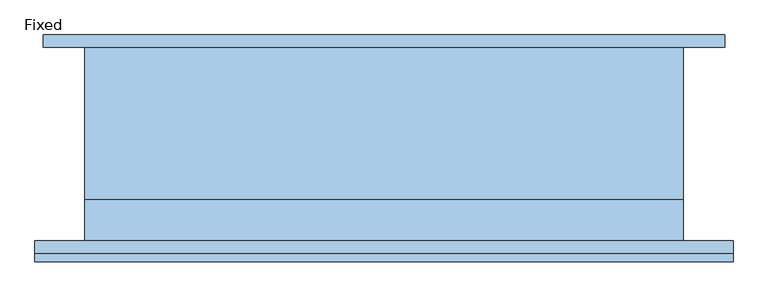
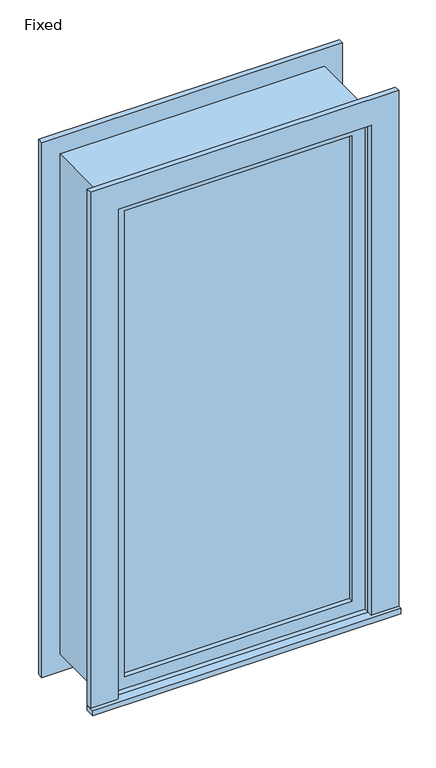
"""IFC4 building model written with IfcOpenShell, lengths in millimetres: window geometry, Fixed."""

from ifc_helpers import new_model, si_unit, frame, origin, place, context, project, spatial, polyline, outline, extrude, source, transform, mapped, element, save


def fixed_81e87f0c(model_context):
    return source(origin(), model_context, "Body", "SweptSolid", [
        extrude(outline(polyline([(-571.5, -179.3875), (-571.5, -147.6375), (495.3, -147.6375), (495.3, -179.3875), (-571.5, -179.3875)])), frame((0.0, 0.0, 304.8), z_axis=(0.0, 0.0, 1.0), x_axis=(1.0, 0.0, 0.0)), (0.0, 0.0, 1.0), 19.05),
        extrude(outline(polyline([(2114.55, -476.25), (2114.55, 400.05), (323.85, 400.05), (323.85, 495.3), (2209.8, 495.3), (2209.8, -571.5), (323.85, -571.5), (323.85, -476.25), (2114.55, -476.25)])), frame((0.0, -166.6875, 0.0), z_axis=(0.0, 1.0, 0.0), x_axis=(0.0, 0.0, 1.0)), (0.0, 0.0, 1.0), 19.05),
        extrude(outline(polyline([(2197.1, 482.6), (2197.1, -558.8), (241.3, -558.8), (241.3, 482.6), (2197.1, 482.6)]), holes=[polyline([(2101.85, 387.35), (336.55, 387.35), (336.55, -463.55), (2101.85, -463.55), (2101.85, 387.35)])]), frame((0.0, 147.6375, 0.0), z_axis=(0.0, 1.0, 0.0), x_axis=(0.0, 0.0, 1.0)), (0.0, 0.0, 1.0), 19.05),
        extrude(outline(polyline([(355.6, -100.0125), (355.6, -112.7125), (-431.8, -112.7125), (-431.8, -100.0125), (355.6, -100.0125)])), frame((0.0, 0.0, 368.3), z_axis=(0.0, 0.0, 1.0), x_axis=(1.0, 0.0, 0.0)), (0.0, 0.0, 1.0), 1701.8),
        extrude(outline(polyline([(2114.55, -476.25), (323.85, -476.25), (323.85, 400.05), (2114.55, 400.05), (2114.55, -476.25)]), holes=[polyline([(2070.1, -431.8), (2070.1, 355.6), (368.3, 355.6), (368.3, -431.8), (2070.1, -431.8)])]), frame((0.0, -128.5875, 0.0), z_axis=(0.0, 1.0, 0.0), x_axis=(0.0, 0.0, 1.0)), (0.0, 0.0, 1.0), 44.45),
        extrude(outline(polyline([(2133.6, -495.3), (304.8, -495.3), (304.8, 419.1), (2133.6, 419.1), (2133.6, -495.3)]), holes=[polyline([(2101.85, -463.55), (2101.85, 387.35), (336.55, 387.35), (336.55, -463.55), (2101.85, -463.55)])]), frame((0.0, -84.1375, 0.0), z_axis=(0.0, 1.0, 0.0), x_axis=(0.0, 0.0, 1.0)), (0.0, 0.0, 1.0), 231.775),
        extrude(outline(polyline([(2133.6, 419.1), (2133.6, -495.3), (304.8, -495.3), (304.8, 419.1), (2133.6, 419.1)]), holes=[polyline([(2114.55, 400.05), (323.85, 400.05), (323.85, -476.25), (2114.55, -476.25), (2114.55, 400.05)])]), frame((0.0, -147.6375, 0.0), z_axis=(0.0, 1.0, 0.0), x_axis=(0.0, 0.0, 1.0)), (0.0, 0.0, 1.0), 63.5),
    ])


if __name__ == "__main__":
    model = new_model("IFC4")
    model_context = context("Model", 3, world=origin())
    ifc_project = project(units=[si_unit("LENGTHUNIT", "METRE", prefix="MILLI")], contexts=[model_context])
    site = spatial("IfcSite", under=ifc_project)
    building = spatial("IfcBuilding", under=site)
    placement = place(None, origin())
    fixed_shape = fixed_81e87f0c(model_context)
    element("IfcWindow", 1, ObjectType="Fixed", at=placement, inside=building, context=model_context, shape_type="MappedRepresentation", body=[
        mapped(fixed_shape, transform((0.0, 0.0, 0.0), x_axis=(1.0, 0.0, 0.0), y_axis=(0.0, 1.0, 0.0), z_axis=(0.0, 0.0, 1.0))),
    ])
    save(model, "model.ifc")
